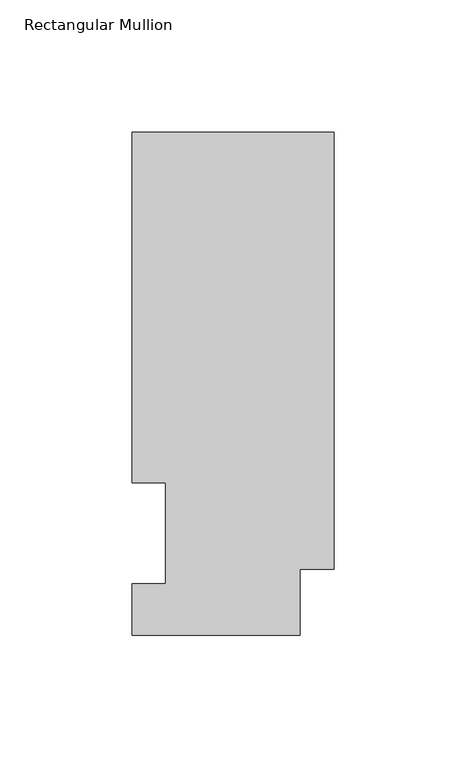
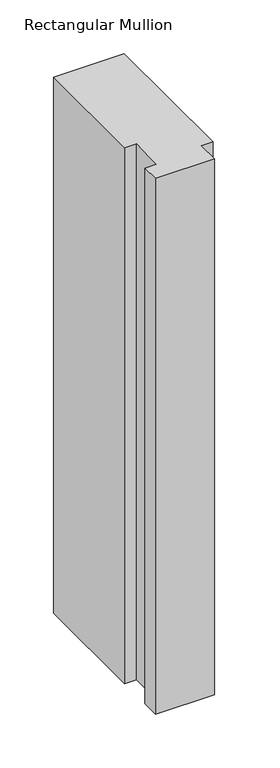
"""IFC4 building model written with IfcOpenShell, lengths in millimetres: member geometry, Rectangular Mullion."""

from ifc_helpers import new_model, si_unit, frame, origin, place, context, project, spatial, polyline, outline, extrude, source, transform, mapped, element, save


def rectangular_mullion_65658fe1(model_context):
    return source(origin(), model_context, "Body", "SweptSolid", [
        extrude(outline(polyline([(0.0, 190.0816937), (0.0, 25.0832937), (-12.7, 25.0832937), (-12.7, 0.0134937), (-76.2, 0.0134937), (-76.2, 19.5460937), (-63.5, 19.5460937), (-63.5, 57.6460937), (-76.2, 57.6460937), (-76.2, 190.0816937), (0.0, 190.0816937)])), frame((0.0, 0.0, -609.6), z_axis=(0.0, 0.0, 1.0), x_axis=(1.0, 0.0, 0.0)), (0.0, 0.0, 1.0), 609.6),
    ])


if __name__ == "__main__":
    model = new_model("IFC4")
    model_context = context("Model", 3, world=origin())
    ifc_project = project(units=[si_unit("LENGTHUNIT", "METRE", prefix="MILLI")], contexts=[model_context])
    site = spatial("IfcSite", under=ifc_project)
    building = spatial("IfcBuilding", under=site)
    placement = place(None, origin())
    rectangular_mullion_shape = rectangular_mullion_65658fe1(model_context)
    element("IfcMember", 1, ObjectType="Rectangular Mullion", at=placement, inside=building, context=model_context, shape_type="MappedRepresentation", body=[
        mapped(rectangular_mullion_shape, transform((0.0, 0.0, 0.0), x_axis=(1.0, 0.0, 0.0), y_axis=(0.0, 1.0, 0.0), z_axis=(0.0, 0.0, 1.0))),
    ])
    save(model, "model.ifc")
